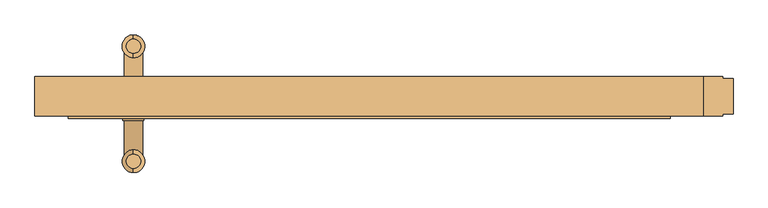
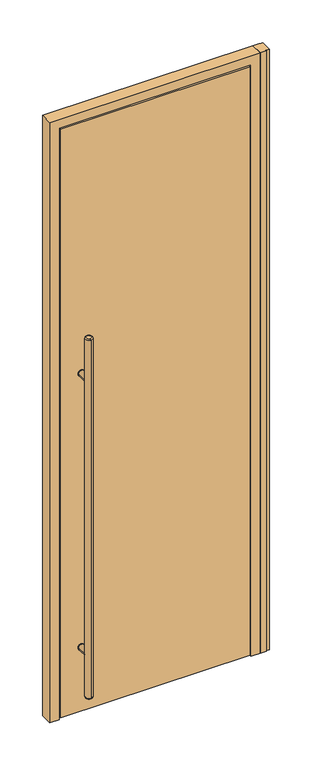
"""IFC4 building model written with IfcOpenShell, lengths in millimetres: door geometry."""

from ifc_helpers import new_model, si_unit, point, frame, frame_2d, origin, origin_with_axes, place, context, project, spatial, polyline, circle_curve, ellipse_curve, trimmed, segment, composite_curve, outline, extrude, faceted_brep, source, transform, mapped, element, save
from ifc_brep_helpers import plane_surface, cylinder_surface, revolved_surface, advanced_brep


def door_6ed6f1f9(model_context):
    return source(origin(), model_context, "Body", "SolidModel", [
        extrude(outline(composite_curve([segment(trimmed(circle_curve(frame_2d((336.55, -357.1875)), 15.875), [point((336.55, -341.3125))], [point((336.55, -373.0625))], False, "CARTESIAN"), True, "CONTINUOUS"), segment(trimmed(circle_curve(frame_2d((336.55, -357.1875)), 15.875), [point((336.55, -373.0625))], [point((336.55, -341.3125))], False, "CARTESIAN"), True, "CONTINUOUS")], self_intersect=False)), frame((0.0, 11.1125, 0.0), z_axis=(0.0, 1.0, 0.0), x_axis=(0.0, 0.0, 1.0)), (0.0, 0.0, 1.0), 3.175),
        extrude(outline(composite_curve([segment(trimmed(circle_curve(frame_2d((1727.2, -357.1875)), 15.875), [point((1727.2, -373.0625))], [point((1727.2, -341.3125))], False, "CARTESIAN"), True, "CONTINUOUS"), segment(trimmed(circle_curve(frame_2d((1727.2, -357.1875)), 15.875), [point((1727.2, -341.3125))], [point((1727.2, -373.0625))], False, "CARTESIAN"), True, "CONTINUOUS")], self_intersect=False)), frame((0.0, 11.1125, 0.0), z_axis=(0.0, 1.0, 0.0), x_axis=(0.0, 0.0, 1.0)), (0.0, 0.0, 1.0), 3.175),
        extrude(outline(composite_curve([segment(trimmed(circle_curve(frame_2d((336.55, -357.1875)), 15.875), [point((336.55, -341.3125))], [point((336.55, -373.0625))], False, "CARTESIAN"), True, "CONTINUOUS"), segment(trimmed(circle_curve(frame_2d((336.55, -357.1875)), 15.875), [point((336.55, -373.0625))], [point((336.55, -341.3125))], False, "CARTESIAN"), True, "CONTINUOUS")], self_intersect=False)), frame((0.0, -36.5125, 0.0), z_axis=(0.0, 1.0, 0.0), x_axis=(0.0, 0.0, 1.0)), (0.0, 0.0, 1.0), 3.175),
        extrude(outline(composite_curve([segment(trimmed(circle_curve(frame_2d((1727.2, -357.1875)), 15.875), [point((1727.2, -341.3125))], [point((1727.2, -373.0625))], False, "CARTESIAN"), True, "CONTINUOUS"), segment(trimmed(circle_curve(frame_2d((1727.2, -357.1875)), 15.875), [point((1727.2, -373.0625))], [point((1727.2, -341.3125))], False, "CARTESIAN"), True, "CONTINUOUS")], self_intersect=False)), frame((0.0, -36.5125, 0.0), z_axis=(0.0, 1.0, 0.0), x_axis=(0.0, 0.0, 1.0)), (0.0, 0.0, 1.0), 3.175),
        extrude(outline(composite_curve([segment(trimmed(circle_curve(frame_2d((336.55, -357.1875)), 14.2875), [point((336.55, -371.475))], [point((336.55, -342.9))], False, "CARTESIAN"), True, "CONTINUOUS"), segment(trimmed(circle_curve(frame_2d((336.55, -357.1875)), 14.2875), [point((336.55, -342.9))], [point((336.55, -371.475))], False, "CARTESIAN"), True, "CONTINUOUS")], self_intersect=False)), frame((0.0, -98.425, 0.0), z_axis=(0.0, 1.0, 0.0), x_axis=(0.0, 0.0, 1.0)), (0.0, 0.0, 1.0), 65.0875),
        extrude(outline(composite_curve([segment(trimmed(circle_curve(frame_2d((1727.2, -357.1875)), 14.2875), [point((1727.2, -371.475))], [point((1727.2, -342.9))], False, "CARTESIAN"), True, "CONTINUOUS"), segment(trimmed(circle_curve(frame_2d((1727.2, -357.1875)), 14.2875), [point((1727.2, -342.9))], [point((1727.2, -371.475))], False, "CARTESIAN"), True, "CONTINUOUS")], self_intersect=False)), frame((0.0, -98.425, 0.0), z_axis=(0.0, 1.0, 0.0), x_axis=(0.0, 0.0, 1.0)), (0.0, 0.0, 1.0), 65.0875),
        advanced_brep(
        [(-357.1875, 65.405, 1947.8625), (-357.1875, 86.995, 1947.8625), (-357.1875, 93.345, 125.4125), (-357.1875, 59.055, 125.4125), (-357.1875, 59.055, 1941.5125), (-357.1875, 93.345, 1941.5125), (-357.1875, 86.995, 119.0625), (-357.1875, 65.405, 119.0625)],
        [
            (0, 1, circle_curve(frame((-357.1875, 76.2, 1947.8625), z_axis=(0.0, 0.0, 1.0), x_axis=(0.0, -1.0, 0.0)), 10.795)),
            (1, 0, circle_curve(frame((-357.1875, 76.2, 1947.8625), z_axis=(0.0, 0.0, 1.0), x_axis=(0.0, -1.0, 0.0)), 10.795)),
            (2, 3, circle_curve(frame((-357.1875, 76.2, 125.4125), z_axis=(0.0, 0.0, 1.0), x_axis=(0.0, -1.0, 0.0)), 17.145)),
            (3, 4),
            (4, 5, circle_curve(frame((-357.1875, 76.2, 1941.5125), z_axis=(0.0, 0.0, -1.0), x_axis=(0.0, -1.0, 0.0)), 17.145)),
            (5, 2),
            (6, 7, circle_curve(frame((-357.1875, 76.2, 119.0625), z_axis=(0.0, 0.0, -1.0), x_axis=(0.0, -1.0, 0.0)), 10.795)),
            (7, 6, circle_curve(frame((-357.1875, 76.2, 119.0625), z_axis=(0.0, 0.0, -1.0), x_axis=(0.0, -1.0, 0.0)), 10.795)),
            (3, 2, circle_curve(frame((-357.1875, 76.2, 125.4125), z_axis=(0.0, 0.0, 1.0), x_axis=(0.0, -1.0, 0.0)), 17.145)),
            (5, 4, circle_curve(frame((-357.1875, 76.2, 1941.5125), z_axis=(0.0, 0.0, -1.0), x_axis=(0.0, -1.0, 0.0)), 17.145)),
            (6, 2, circle_curve(frame((-357.1875, 86.995, 125.4125), z_axis=(1.0, 0.0, 0.0), x_axis=(0.0, 1.0, 0.0)), 6.35)),
            (3, 7, circle_curve(frame((-357.1875, 65.405, 125.4125), z_axis=(1.0, 0.0, 0.0), x_axis=(0.0, -1.0, 0.0)), 6.35)),
            (5, 1, circle_curve(frame((-357.1875, 86.995, 1941.5125), z_axis=(1.0, 0.0, 0.0), x_axis=(0.0, 1.0, 0.0)), 6.35)),
            (0, 4, circle_curve(frame((-357.1875, 65.405, 1941.5125), z_axis=(1.0, 0.0, 0.0), x_axis=(0.0, -1.0, 0.0)), 6.35)),
        ],
        [
            plane_surface(frame((-357.1875, -115.57, 1947.8625), z_axis=(0.0, 0.0, 1.0), x_axis=(1.0, 0.0, 0.0))),
            cylinder_surface(frame((-357.1875, 76.2, 119.0625), z_axis=(0.0, 0.0, 1.0), x_axis=(0.0, -1.0, 0.0)), 17.145),
            plane_surface(frame((-357.1875, -115.57, 119.0625), z_axis=(0.0, 0.0, -1.0), x_axis=(-1.0, 0.0, 0.0))),
            revolved_surface(trimmed(ellipse_curve(frame((-357.1875, 65.405, 125.4125), z_axis=(-1.0, 0.0, 0.0), x_axis=(0.0, -1.0, 0.0)), 6.35, 6.35), [point((-357.1875, 65.405, 119.0625))], [point((-357.1875, 59.055, 125.4125))], True, "CARTESIAN"), (-357.1875, 76.2, 2557.4625), (0.0, 0.0, 1.0)),
            revolved_surface(trimmed(ellipse_curve(frame((-357.1875, 65.405, 1941.5125), z_axis=(-1.0, 0.0, 0.0), x_axis=(0.0, -1.0, 0.0)), 6.35, 6.35), [point((-357.1875, 59.055, 1941.5125))], [point((-357.1875, 65.405, 1947.8625))], True, "CARTESIAN"), (-357.1875, 76.2, -490.5375), (0.0, 0.0, 1.0)),
        ],
        [
            (0, [[1, 2]]),
            (1, [[3, 4, 5, 6]]),
            (2, [[7, 8]]),
            (1, [[9, -6, 10, -4]]),
            (3, [[11, -9, 12, -7]]),
            (3, [[-11, -8, -12, -3]]),
            (4, [[13, -1, 14, -10]]),
            (4, [[-13, -5, -14, -2]]),
        ],
    ),
        advanced_brep(
        [(-357.1875, -109.22, 1947.8625), (-357.1875, -87.63, 1947.8625), (-357.1875, -87.63, 119.0625), (-357.1875, -109.22, 119.0625), (-357.1875, -81.28, 125.4125), (-357.1875, -115.57, 125.4125), (-357.1875, -115.57, 1941.5125), (-357.1875, -81.28, 1941.5125)],
        [
            (0, 1, circle_curve(frame((-357.1875, -98.425, 1947.8625), z_axis=(0.0, 0.0, 1.0), x_axis=(0.0, 1.0, 0.0)), 10.795)),
            (1, 0, circle_curve(frame((-357.1875, -98.425, 1947.8625), z_axis=(0.0, 0.0, 1.0), x_axis=(0.0, 1.0, 0.0)), 10.795)),
            (2, 3, circle_curve(frame((-357.1875, -98.425, 119.0625), z_axis=(0.0, 0.0, -1.0), x_axis=(0.0, 1.0, 0.0)), 10.795)),
            (3, 2, circle_curve(frame((-357.1875, -98.425, 119.0625), z_axis=(0.0, 0.0, -1.0), x_axis=(0.0, 1.0, 0.0)), 10.795)),
            (4, 5, circle_curve(frame((-357.1875, -98.425, 125.4125), z_axis=(0.0, 0.0, 1.0), x_axis=(0.0, -1.0, 0.0)), 17.145)),
            (5, 6),
            (6, 7, circle_curve(frame((-357.1875, -98.425, 1941.5125), z_axis=(0.0, 0.0, -1.0), x_axis=(0.0, -1.0, 0.0)), 17.145)),
            (7, 4),
            (5, 4, circle_curve(frame((-357.1875, -98.425, 125.4125), z_axis=(0.0, 0.0, 1.0), x_axis=(0.0, -1.0, 0.0)), 17.145)),
            (7, 6, circle_curve(frame((-357.1875, -98.425, 1941.5125), z_axis=(0.0, 0.0, -1.0), x_axis=(0.0, -1.0, 0.0)), 17.145)),
            (5, 3, circle_curve(frame((-357.1875, -109.22, 125.4125), z_axis=(1.0, 0.0, 0.0), x_axis=(0.0, -1.0, 0.0)), 6.35)),
            (2, 4, circle_curve(frame((-357.1875, -87.63, 125.4125), z_axis=(1.0, 0.0, 0.0), x_axis=(0.0, 1.0, 0.0)), 6.35)),
            (0, 6, circle_curve(frame((-357.1875, -109.22, 1941.5125), z_axis=(1.0, 0.0, 0.0), x_axis=(0.0, -1.0, 0.0)), 6.35)),
            (7, 1, circle_curve(frame((-357.1875, -87.63, 1941.5125), z_axis=(1.0, 0.0, 0.0), x_axis=(0.0, 1.0, 0.0)), 6.35)),
        ],
        [
            plane_surface(frame((-357.1875, -115.57, 1947.8625), z_axis=(0.0, 0.0, 1.0), x_axis=(1.0, 0.0, 0.0))),
            plane_surface(frame((-357.1875, -115.57, 119.0625), z_axis=(0.0, 0.0, -1.0), x_axis=(-1.0, 0.0, 0.0))),
            cylinder_surface(frame((-357.1875, -98.425, 119.0625), z_axis=(0.0, 0.0, 1.0), x_axis=(0.0, -1.0, 0.0)), 17.145),
            revolved_surface(trimmed(ellipse_curve(frame((-357.1875, -87.63, 125.4125), z_axis=(-1.0, 0.0, 0.0), x_axis=(0.0, 1.0, 0.0)), 6.35, 6.35), [point((-357.1875, -81.28, 125.4125))], [point((-357.1875, -87.63, 119.0625))], True, "CARTESIAN"), (-357.1875, -98.425, 2557.4625), (0.0, 0.0, -1.0)),
            revolved_surface(trimmed(ellipse_curve(frame((-357.1875, -87.63, 1941.5125), z_axis=(-1.0, 0.0, 0.0), x_axis=(0.0, 1.0, 0.0)), 6.35, 6.35), [point((-357.1875, -87.63, 1947.8625))], [point((-357.1875, -81.28, 1941.5125))], True, "CARTESIAN"), (-357.1875, -98.425, -490.5375), (0.0, 0.0, -1.0)),
        ],
        [
            (0, [[1, 2]]),
            (1, [[3, 4]]),
            (2, [[5, 6, 7, 8]]),
            (2, [[9, -8, 10, -6]]),
            (3, [[11, -3, 12, -9]]),
            (3, [[-11, -5, -12, -4]]),
            (4, [[13, -10, 14, -1]]),
            (4, [[-13, -2, -14, -7]]),
        ],
    ),
        extrude(outline(composite_curve([segment(trimmed(circle_curve(frame_2d((336.55, -357.1875)), 14.2875), [point((336.55, -371.475))], [point((336.55, -342.9))], False, "CARTESIAN"), True, "CONTINUOUS"), segment(trimmed(circle_curve(frame_2d((336.55, -357.1875)), 14.2875), [point((336.55, -342.9))], [point((336.55, -371.475))], False, "CARTESIAN"), True, "CONTINUOUS")], self_intersect=False)), frame((0.0, 11.1125, 0.0), z_axis=(0.0, 1.0, 0.0), x_axis=(0.0, 0.0, 1.0)), (0.0, 0.0, 1.0), 65.0875),
        extrude(outline(composite_curve([segment(trimmed(circle_curve(frame_2d((1727.2, -357.1875)), 14.2875), [point((1727.2, -371.475))], [point((1727.2, -342.9))], False, "CARTESIAN"), True, "CONTINUOUS"), segment(trimmed(circle_curve(frame_2d((1727.2, -357.1875)), 14.2875), [point((1727.2, -342.9))], [point((1727.2, -371.475))], False, "CARTESIAN"), True, "CONTINUOUS")], self_intersect=False)), frame((0.0, 11.1125, 0.0), z_axis=(0.0, 1.0, 0.0), x_axis=(0.0, 0.0, 1.0)), (0.0, 0.0, 1.0), 65.0875),
        extrude(outline(polyline([(506.4125, -30.1625), (506.4125, 30.1625), (534.9875, 30.1625), (534.9875, 26.9875), (550.8625, 26.9875), (550.8625, -26.9875), (534.9875, -26.9875), (534.9875, -30.1625), (506.4125, -30.1625)])), origin_with_axes(), (0.0, 0.0, 1.0), 3048.0),
        faceted_brep([(-506.4125, 30.1625, 0.0), (-449.2625, 30.1625, 0.0), (-449.2625, 17.4625, 0.0), (-461.9625, 17.4625, 0.0), (-461.9625, -30.1625, 0.0), (-506.4125, -30.1625, 0.0), (-506.4125, -30.1625, 3048.0), (-506.4125, 30.1625, 3048.0), (-461.9625, -30.1625, 3003.55), (461.9625, -30.1625, 3003.55), (461.9625, -30.1625, 0.0), (506.4125, -30.1625, 0.0), (506.4125, -30.1625, 3048.0), (-461.9625, 17.4625, 3003.55), (-449.2625, 17.4625, 2990.85), (449.2625, 17.4625, 2990.85), (449.2625, 17.4625, 0.0), (461.9625, 17.4625, 0.0), (461.9625, 17.4625, 3003.55), (-449.2625, 30.1625, 2990.85), (506.4125, 30.1625, 3048.0), (506.4125, 30.1625, 0.0), (449.2625, 30.1625, 0.0), (449.2625, 30.1625, 2990.85)], [[[0, 1, 2, 3, 4, 5]], [[5, 6, 7, 0]], [[4, 8, 9, 10, 11, 12, 6, 5]], [[3, 13, 8, 4]], [[2, 14, 15, 16, 17, 18, 13, 3]], [[1, 19, 14, 2]], [[0, 7, 20, 21, 22, 23, 19, 1]], [[21, 11, 10, 17, 16, 22]], [[23, 22, 16, 15]], [[18, 17, 10, 9]], [[12, 11, 21, 20]], [[6, 12, 20, 7]], [[13, 18, 9, 8]], [[19, 23, 15, 14]]]),
        extrude(outline(polyline([(455.6125, 11.1125), (455.6125, -33.3375), (-455.6125, -33.3375), (-455.6125, 11.1125), (455.6125, 11.1125)])), frame((0.0, 0.0, 9.525), z_axis=(0.0, 0.0, 1.0), x_axis=(1.0, 0.0, 0.0)), (0.0, 0.0, 1.0), 2987.675),
    ])


if __name__ == "__main__":
    model = new_model("IFC4")
    model_context = context("Model", 3, world=origin())
    ifc_project = project(units=[si_unit("LENGTHUNIT", "METRE", prefix="MILLI")], contexts=[model_context])
    site = spatial("IfcSite", under=ifc_project)
    building = spatial("IfcBuilding", under=site)
    placement = place(None, origin())
    door_shape = door_6ed6f1f9(model_context)
    element("IfcDoor", 1, at=placement, inside=building, context=model_context, shape_type="MappedRepresentation", body=[
        mapped(door_shape, transform((0.0, 0.0, 0.0), x_axis=(1.0, 0.0, 0.0), y_axis=(0.0, 1.0, 0.0), z_axis=(0.0, 0.0, 1.0))),
    ])
    save(model, "model.ifc")
